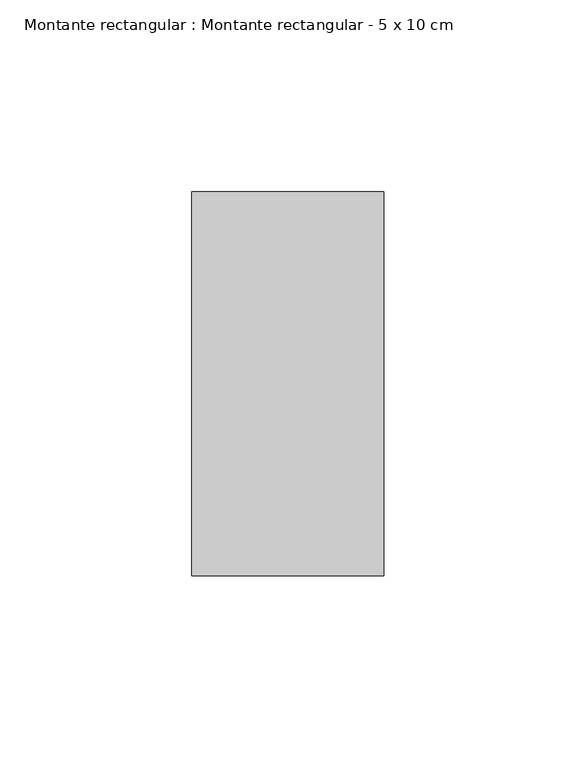
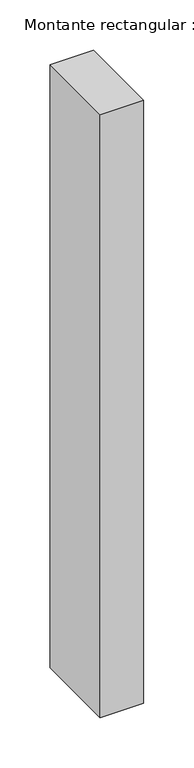
"""IFC4 building model written with IfcOpenShell, lengths in millimetres: member geometry, Montante rectangular : Montante rectangular - 5 x 10 cm."""

from ifc_helpers import new_model, si_unit, frame, origin, place, context, project, spatial, polyline, outline, extrude, source, transform, mapped, element, save


def montante_rectangular_montante_rectangular_5_x_10_cm_e62932ff(model_context):
    return source(origin(), model_context, "Body", "SweptSolid", [
        extrude(outline(polyline([(0.0, 50.0), (0.0, -50.0), (-50.0, -50.0), (-50.0, 50.0), (0.0, 50.0)])), frame((0.0, 0.0, -733.0), z_axis=(0.0, 0.0, 1.0), x_axis=(1.0, 0.0, 0.0)), (0.0, 0.0, 1.0), 733.0),
    ])


if __name__ == "__main__":
    model = new_model("IFC4")
    model_context = context("Model", 3, world=origin())
    ifc_project = project(units=[si_unit("LENGTHUNIT", "METRE", prefix="MILLI")], contexts=[model_context])
    site = spatial("IfcSite", under=ifc_project)
    building = spatial("IfcBuilding", under=site)
    placement = place(None, origin())
    montante_rectangular_montante_rectangular_5_x_10_cm_shape = montante_rectangular_montante_rectangular_5_x_10_cm_e62932ff(model_context)
    element("IfcMember", 1, ObjectType="Montante rectangular : Montante rectangular - 5 x 10 cm", at=placement, inside=building, context=model_context, shape_type="MappedRepresentation", body=[
        mapped(montante_rectangular_montante_rectangular_5_x_10_cm_shape, transform((0.0, 0.0, 0.0), x_axis=(1.0, 0.0, 0.0), y_axis=(0.0, 1.0, 0.0), z_axis=(0.0, 0.0, 1.0))),
    ])
    save(model, "model.ifc")
